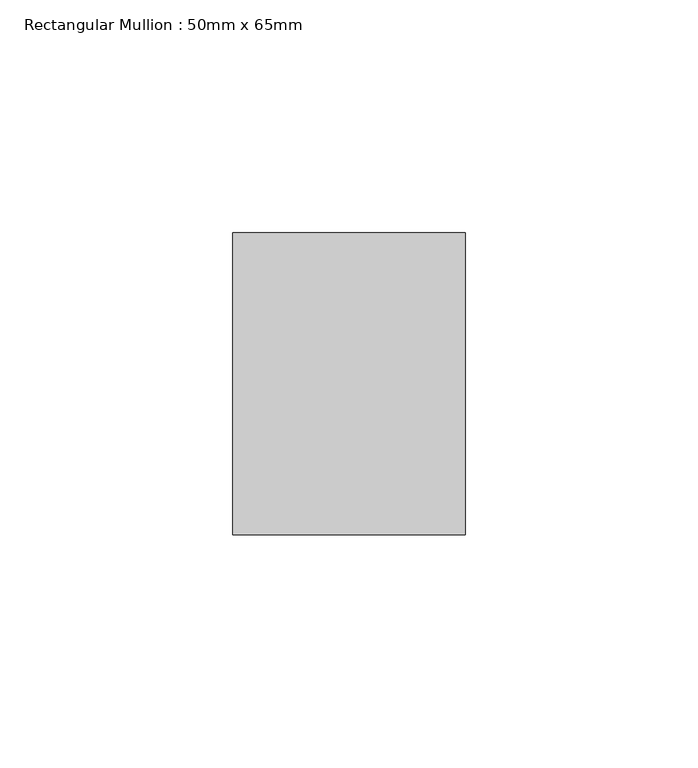
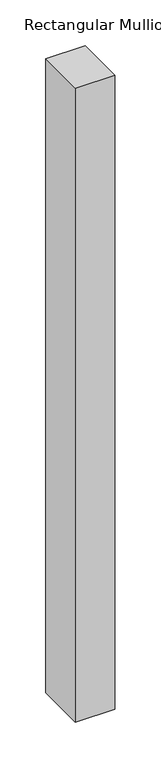
"""IFC4 building model written with IfcOpenShell, lengths in millimetres: member geometry, Rectangular Mullion : 50mm x 65mm."""

from ifc_helpers import new_model, si_unit, frame, origin, place, context, project, spatial, polyline, outline, extrude, source, transform, mapped, element, save


def rectangular_mullion_50mm_x_65mm_45b26551(model_context):
    return source(origin(), model_context, "Body", "SweptSolid", [
        extrude(outline(polyline([(25.0, 32.5), (25.0, -32.5), (-25.0, -32.5), (-25.0, 32.5), (25.0, 32.5)])), frame((0.0, 0.0, -846.7248422), z_axis=(0.0, 0.0, 1.0), x_axis=(1.0, 0.0, 0.0)), (0.0, 0.0, 1.0), 846.7248422),
    ])


if __name__ == "__main__":
    model = new_model("IFC4")
    model_context = context("Model", 3, world=origin())
    ifc_project = project(units=[si_unit("LENGTHUNIT", "METRE", prefix="MILLI")], contexts=[model_context])
    site = spatial("IfcSite", under=ifc_project)
    building = spatial("IfcBuilding", under=site)
    placement = place(None, origin())
    rectangular_mullion_50mm_x_65mm_shape = rectangular_mullion_50mm_x_65mm_45b26551(model_context)
    element("IfcMember", 1, ObjectType="Rectangular Mullion : 50mm x 65mm", at=placement, inside=building, context=model_context, shape_type="MappedRepresentation", body=[
        mapped(rectangular_mullion_50mm_x_65mm_shape, transform((0.0, 0.0, 0.0), x_axis=(1.0, 0.0, 0.0), y_axis=(0.0, 1.0, 0.0), z_axis=(0.0, 0.0, 1.0))),
    ])
    save(model, "model.ifc")
